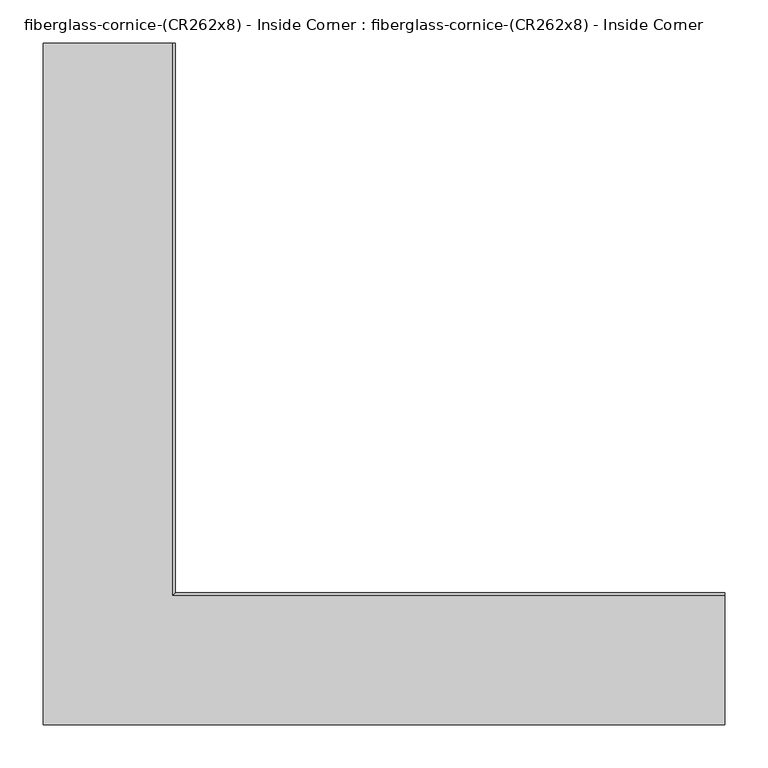
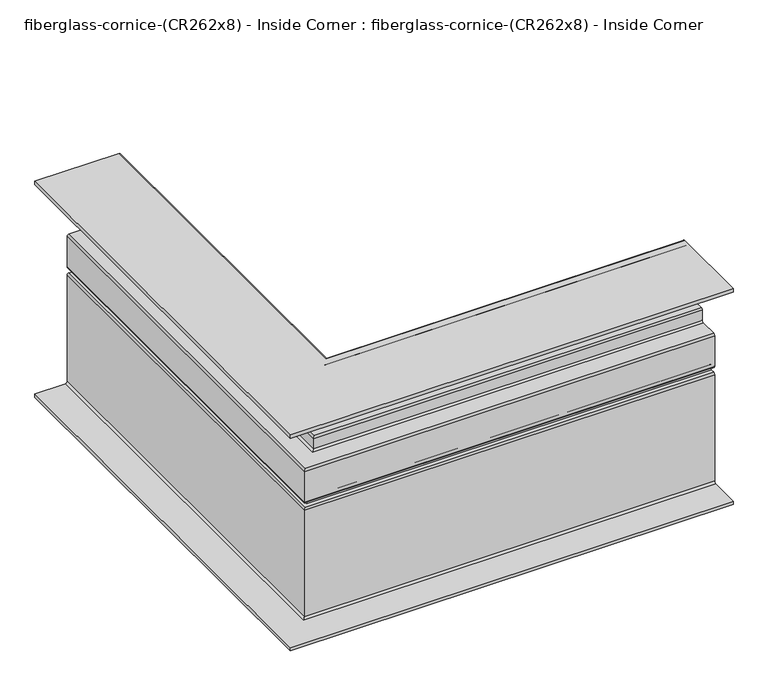
"""IFC4 building model written with IfcOpenShell, lengths in millimetres: furniture geometry, fiberglass-cornice-(CR262x8) - Inside Corner : fiberglass-cornice-(CR262x8) - Inside Corner."""

from ifc_helpers import new_model, si_unit, frame, origin, place, context, project, spatial, polyline, circle_curve, ellipse_curve, source, transform, mapped, element, save
from ifc_brep_helpers import plane_surface, cylinder_surface, revolved_surface, advanced_brep


def fiberglass_cornice_cr262x8_inside_corner_fiberglass_cornice_d8a30039(model_context):
    return source(origin(), model_context, "Body", "AdvancedBrep", [
        advanced_brep(
        [(-393.6999938, 888.603125, 323.8499904), (-393.6999938, 888.603125, 330.1999904), (-244.4749938, 888.603125, 330.1999904), (-241.2999938, 888.603125, 327.0249904), (-241.2999938, 888.603125, 282.5749904), (-244.4749938, 888.603125, 279.3999904), (-263.5249938, 888.603125, 279.3999904), (-266.6999938, 888.603125, 276.2249904), (-266.6999938, 888.603125, 231.7749904), (-269.8749938, 888.603125, 228.5999904), (-288.9249938, 888.603125, 228.5999904), (-292.0999938, 888.603125, 225.4249904), (-292.0999938, 888.603125, 206.3749904), (-295.2749938, 888.603125, 203.1999904), (-327.0249938, 888.603125, 203.1999904), (-330.1999938, 888.603125, 200.0249904), (-330.1999938, 888.603125, 155.5749904), (-327.0249938, 888.603125, 152.3999904), (-320.6749938, 888.603125, 152.3999904), (-317.4999938, 888.603125, 149.2249904), (-317.4999938, 888.603125, 133.3499904), (-320.6749938, 888.603125, 130.1749904), (-327.0249938, 888.603125, 130.1749904), (-330.1999938, 888.603125, 126.9999904), (-330.1999938, 888.603125, -73.0250096), (-333.3749938, 888.603125, -76.2000096), (-393.6999938, 888.603125, -76.2000096), (-393.6999938, 888.603125, -69.8500096), (-339.7249938, 888.603125, -69.8500096), (-336.5499938, 888.603125, -66.6750096), (-336.5499938, 888.603125, 133.3499904), (-333.3749938, 888.603125, 136.5249904), (-327.0249938, 888.603125, 136.5249904), (-323.8499938, 888.603125, 139.6999904), (-323.8499938, 888.603125, 142.8749904), (-327.0249938, 888.603125, 146.0499904), (-333.3749938, 888.603125, 146.0499904), (-336.5499938, 888.603125, 149.2249904), (-336.5499938, 888.603125, 206.3749904), (-333.3749938, 888.603125, 209.5499904), (-301.6249938, 888.603125, 209.5499904), (-298.4499938, 888.603125, 212.7249904), (-298.4499938, 888.603125, 231.7749904), (-295.2749938, 888.603125, 234.9499904), (-276.2249938, 888.603125, 234.9499904), (-273.0499938, 888.603125, 238.1249904), (-273.0499938, 888.603125, 282.5749904), (-269.8749938, 888.603125, 285.7499904), (-250.8249938, 888.603125, 285.7499904), (-247.6499938, 888.603125, 288.9249904), (-247.6499938, 888.603125, 320.6749904), (-250.8249938, 888.603125, 323.8499904), (393.6999938, 101.203125, 323.8499904), (393.6999938, 244.078125, 323.8499904), (393.6999938, 247.253125, 320.6749904), (393.6999938, 247.253125, 288.9249904), (393.6999938, 244.078125, 285.7499904), (393.6999938, 225.028125, 285.7499904), (393.6999938, 221.853125, 282.5749904), (393.6999938, 221.853125, 238.1249904), (393.6999938, 218.678125, 234.9499904), (393.6999938, 199.628125, 234.9499904), (393.6999938, 196.453125, 231.7749904), (393.6999938, 196.453125, 212.7249904), (393.6999938, 193.278125, 209.5499904), (393.6999938, 161.528125, 209.5499904), (393.6999938, 158.353125, 206.3749904), (393.6999938, 158.353125, 149.2249904), (393.6999938, 161.528125, 146.0499904), (393.6999938, 167.878125, 146.0499904), (393.6999938, 171.053125, 142.8749904), (393.6999938, 171.053125, 139.6999904), (393.6999938, 167.878125, 136.5249904), (393.6999938, 161.528125, 136.5249904), (393.6999938, 158.353125, 133.3499904), (393.6999938, 158.353125, -66.6750096), (393.6999938, 155.178125, -69.8500096), (393.6999938, 101.203125, -69.8500096), (393.6999938, 101.203125, -76.2000096), (393.6999938, 161.528125, -76.2000096), (393.6999938, 164.703125, -73.0250096), (393.6999938, 164.703125, 126.9999904), (393.6999938, 167.878125, 130.1749904), (393.6999938, 174.228125, 130.1749904), (393.6999938, 177.403125, 133.3499904), (393.6999938, 177.403125, 149.2249904), (393.6999938, 174.228125, 152.3999904), (393.6999938, 167.878125, 152.3999904), (393.6999938, 164.703125, 155.5749904), (393.6999938, 164.703125, 200.0249904), (393.6999938, 167.878125, 203.1999904), (393.6999938, 199.628125, 203.1999904), (393.6999938, 202.803125, 206.3749904), (393.6999938, 202.803125, 225.4249904), (393.6999938, 205.978125, 228.5999904), (393.6999938, 225.028125, 228.5999904), (393.6999938, 228.203125, 231.7749904), (393.6999938, 228.203125, 276.2249904), (393.6999938, 231.378125, 279.3999904), (393.6999938, 250.428125, 279.3999904), (393.6999938, 253.603125, 282.5749904), (393.6999938, 253.603125, 327.0249904), (393.6999938, 250.428125, 330.1999904), (393.6999938, 101.203125, 330.1999904), (-393.6999938, 101.203125, 323.8499904), (-393.6999938, 101.203125, 330.1999904), (-244.4749938, 250.428125, 330.1999904), (-241.2999938, 253.603125, 327.0249904), (-241.2999938, 253.603125, 282.5749904), (-244.4749938, 250.428125, 279.3999904), (-263.5249938, 231.378125, 279.3999904), (-266.6999938, 228.203125, 276.2249904), (-266.6999938, 228.203125, 231.7749904), (-269.8749938, 225.028125, 228.5999904), (-288.9249938, 205.978125, 228.5999904), (-292.0999938, 202.803125, 225.4249904), (-292.0999938, 202.803125, 206.3749904), (-295.2749938, 199.628125, 203.1999904), (-327.0249938, 167.878125, 203.1999904), (-330.1999938, 164.703125, 200.0249904), (-330.1999938, 164.703125, 155.5749904), (-327.0249938, 167.878125, 152.3999904), (-320.6749938, 174.228125, 152.3999904), (-317.4999938, 177.403125, 149.2249904), (-317.4999938, 177.403125, 133.3499904), (-320.6749938, 174.228125, 130.1749904), (-327.0249938, 167.878125, 130.1749904), (-330.1999938, 164.703125, 126.9999904), (-330.1999938, 164.703125, -73.0250096), (-333.3749938, 161.528125, -76.2000096), (-393.6999938, 101.203125, -76.2000096), (-393.6999938, 101.203125, -69.8500096), (-339.7249938, 155.178125, -69.8500096), (-336.5499938, 158.353125, -66.6750096), (-336.5499938, 158.353125, 133.3499904), (-333.3749938, 161.528125, 136.5249904), (-327.0249938, 167.878125, 136.5249904), (-323.8499938, 171.053125, 139.6999904), (-323.8499938, 171.053125, 142.8749904), (-327.0249938, 167.878125, 146.0499904), (-333.3749938, 161.528125, 146.0499904), (-336.5499938, 158.353125, 149.2249904), (-336.5499938, 158.353125, 206.3749904), (-333.3749938, 161.528125, 209.5499904), (-301.6249938, 193.278125, 209.5499904), (-298.4499938, 196.453125, 212.7249904), (-298.4499938, 196.453125, 231.7749904), (-295.2749938, 199.628125, 234.9499904), (-276.2249938, 218.678125, 234.9499904), (-273.0499938, 221.853125, 238.1249904), (-273.0499938, 221.853125, 282.5749904), (-269.8749938, 225.028125, 285.7499904), (-250.8249938, 244.078125, 285.7499904), (-247.6499938, 247.253125, 288.9249904), (-247.6499938, 247.253125, 320.6749904), (-250.8249938, 244.078125, 323.8499904)],
        [
            (0, 1),
            (1, 2),
            (2, 3, circle_curve(frame((-244.4749938, 888.603125, 327.0249904), z_axis=(0.0, 1.0, 0.0), x_axis=(1.0, 0.0, 0.0)), 3.175)),
            (3, 4),
            (4, 5, circle_curve(frame((-244.4749938, 888.603125, 282.5749904), z_axis=(0.0, 1.0, 0.0), x_axis=(1.0, 0.0, 0.0)), 3.175)),
            (5, 6),
            (6, 7, circle_curve(frame((-263.5249938, 888.603125, 276.2249904), z_axis=(0.0, -1.0, 0.0), x_axis=(1.0, 0.0, 0.0)), 3.175)),
            (7, 8),
            (8, 9, circle_curve(frame((-269.8749938, 888.603125, 231.7749904), z_axis=(0.0, 1.0, 0.0), x_axis=(1.0, 0.0, 0.0)), 3.175)),
            (9, 10),
            (10, 11, circle_curve(frame((-288.9249938, 888.603125, 225.4249904), z_axis=(0.0, -1.0, 0.0), x_axis=(1.0, 0.0, 0.0)), 3.175)),
            (11, 12),
            (12, 13, circle_curve(frame((-295.2749938, 888.603125, 206.3749904), z_axis=(0.0, 1.0, 0.0), x_axis=(1.0, 0.0, 0.0)), 3.175)),
            (13, 14),
            (14, 15, circle_curve(frame((-327.0249938, 888.603125, 200.0249904), z_axis=(0.0, -1.0, 0.0), x_axis=(1.0, 0.0, 0.0)), 3.175)),
            (15, 16),
            (16, 17, circle_curve(frame((-327.0249938, 888.603125, 155.5749904), z_axis=(0.0, -1.0, 0.0), x_axis=(1.0, 0.0, 0.0)), 3.175)),
            (17, 18),
            (18, 19, circle_curve(frame((-320.6749938, 888.603125, 149.2249904), z_axis=(0.0, 1.0, 0.0), x_axis=(1.0, 0.0, 0.0)), 3.175)),
            (19, 20),
            (20, 21, circle_curve(frame((-320.6749938, 888.603125, 133.3499904), z_axis=(0.0, 1.0, 0.0), x_axis=(1.0, 0.0, 0.0)), 3.175)),
            (21, 22),
            (22, 23, circle_curve(frame((-327.0249938, 888.603125, 126.9999904), z_axis=(0.0, -1.0, 0.0), x_axis=(1.0, 0.0, 0.0)), 3.175)),
            (23, 24),
            (24, 25, circle_curve(frame((-333.3749938, 888.603125, -73.0250096), z_axis=(0.0, 1.0, 0.0), x_axis=(1.0, 0.0, 0.0)), 3.175)),
            (25, 26),
            (26, 27),
            (27, 28),
            (28, 29, circle_curve(frame((-339.7249938, 888.603125, -66.6750096), z_axis=(0.0, -1.0, 0.0), x_axis=(1.0, 0.0, 0.0)), 3.175)),
            (29, 30),
            (30, 31, circle_curve(frame((-333.3749938, 888.603125, 133.3499904), z_axis=(0.0, 1.0, 0.0), x_axis=(1.0, 0.0, 0.0)), 3.175)),
            (31, 32),
            (32, 33, circle_curve(frame((-327.0249938, 888.603125, 139.6999904), z_axis=(0.0, -1.0, 0.0), x_axis=(1.0, 0.0, 0.0)), 3.175)),
            (33, 34),
            (34, 35, circle_curve(frame((-327.0249938, 888.603125, 142.8749904), z_axis=(0.0, -1.0, 0.0), x_axis=(1.0, 0.0, 0.0)), 3.175)),
            (35, 36),
            (36, 37, circle_curve(frame((-333.3749938, 888.603125, 149.2249904), z_axis=(0.0, 1.0, 0.0), x_axis=(1.0, 0.0, 0.0)), 3.175)),
            (37, 38),
            (38, 39, circle_curve(frame((-333.3749938, 888.603125, 206.3749904), z_axis=(0.0, 1.0, 0.0), x_axis=(1.0, 0.0, 0.0)), 3.175)),
            (39, 40),
            (40, 41, circle_curve(frame((-301.6249938, 888.603125, 212.7249904), z_axis=(0.0, -1.0, 0.0), x_axis=(1.0, 0.0, 0.0)), 3.175)),
            (41, 42),
            (42, 43, circle_curve(frame((-295.2749938, 888.603125, 231.7749904), z_axis=(0.0, 1.0, 0.0), x_axis=(1.0, 0.0, 0.0)), 3.175)),
            (43, 44),
            (44, 45, circle_curve(frame((-276.2249938, 888.603125, 238.1249904), z_axis=(0.0, -1.0, 0.0), x_axis=(1.0, 0.0, 0.0)), 3.175)),
            (45, 46),
            (46, 47, circle_curve(frame((-269.8749938, 888.603125, 282.5749904), z_axis=(0.0, 1.0, 0.0), x_axis=(1.0, 0.0, 0.0)), 3.175)),
            (47, 48),
            (48, 49, circle_curve(frame((-250.8249938, 888.603125, 288.9249904), z_axis=(0.0, -1.0, 0.0), x_axis=(1.0, 0.0, 0.0)), 3.175)),
            (49, 50),
            (50, 51, circle_curve(frame((-250.8249938, 888.603125, 320.6749904), z_axis=(0.0, -1.0, 0.0), x_axis=(1.0, 0.0, 0.0)), 3.175)),
            (51, 0),
            (52, 53),
            (53, 54, circle_curve(frame((393.6999938, 244.078125, 320.6749904), z_axis=(-1.0, 0.0, 0.0), x_axis=(0.0, 1.0, 0.0)), 3.175)),
            (54, 55),
            (55, 56, circle_curve(frame((393.6999938, 244.078125, 288.9249904), z_axis=(-1.0, 0.0, 0.0), x_axis=(0.0, 1.0, 0.0)), 3.175)),
            (56, 57),
            (57, 58, circle_curve(frame((393.6999938, 225.028125, 282.5749904), z_axis=(1.0, 0.0, 0.0), x_axis=(0.0, 1.0, 0.0)), 3.175)),
            (58, 59),
            (59, 60, circle_curve(frame((393.6999938, 218.678125, 238.1249904), z_axis=(-1.0, 0.0, 0.0), x_axis=(0.0, 1.0, 0.0)), 3.175)),
            (60, 61),
            (61, 62, circle_curve(frame((393.6999938, 199.628125, 231.7749904), z_axis=(1.0, 0.0, 0.0), x_axis=(0.0, 1.0, 0.0)), 3.175)),
            (62, 63),
            (63, 64, circle_curve(frame((393.6999938, 193.278125, 212.7249904), z_axis=(-1.0, 0.0, 0.0), x_axis=(0.0, 1.0, 0.0)), 3.175)),
            (64, 65),
            (65, 66, circle_curve(frame((393.6999938, 161.528125, 206.3749904), z_axis=(1.0, 0.0, 0.0), x_axis=(0.0, 1.0, 0.0)), 3.175)),
            (66, 67),
            (67, 68, circle_curve(frame((393.6999938, 161.528125, 149.2249904), z_axis=(1.0, 0.0, 0.0), x_axis=(0.0, 1.0, 0.0)), 3.175)),
            (68, 69),
            (69, 70, circle_curve(frame((393.6999938, 167.878125, 142.8749904), z_axis=(-1.0, 0.0, 0.0), x_axis=(0.0, 1.0, 0.0)), 3.175)),
            (70, 71),
            (71, 72, circle_curve(frame((393.6999938, 167.878125, 139.6999904), z_axis=(-1.0, 0.0, 0.0), x_axis=(0.0, 1.0, 0.0)), 3.175)),
            (72, 73),
            (73, 74, circle_curve(frame((393.6999938, 161.528125, 133.3499904), z_axis=(1.0, 0.0, 0.0), x_axis=(0.0, 1.0, 0.0)), 3.175)),
            (74, 75),
            (75, 76, circle_curve(frame((393.6999938, 155.178125, -66.6750096), z_axis=(-1.0, 0.0, 0.0), x_axis=(0.0, 1.0, 0.0)), 3.175)),
            (76, 77),
            (77, 78),
            (78, 79),
            (79, 80, circle_curve(frame((393.6999938, 161.528125, -73.0250096), z_axis=(1.0, 0.0, 0.0), x_axis=(0.0, 1.0, 0.0)), 3.175)),
            (80, 81),
            (81, 82, circle_curve(frame((393.6999938, 167.878125, 126.9999904), z_axis=(-1.0, 0.0, 0.0), x_axis=(0.0, 1.0, 0.0)), 3.175)),
            (82, 83),
            (83, 84, circle_curve(frame((393.6999938, 174.228125, 133.3499904), z_axis=(1.0, 0.0, 0.0), x_axis=(0.0, 1.0, 0.0)), 3.175)),
            (84, 85),
            (85, 86, circle_curve(frame((393.6999938, 174.228125, 149.2249904), z_axis=(1.0, 0.0, 0.0), x_axis=(0.0, 1.0, 0.0)), 3.175)),
            (86, 87),
            (87, 88, circle_curve(frame((393.6999938, 167.878125, 155.5749904), z_axis=(-1.0, 0.0, 0.0), x_axis=(0.0, 1.0, 0.0)), 3.175)),
            (88, 89),
            (89, 90, circle_curve(frame((393.6999938, 167.878125, 200.0249904), z_axis=(-1.0, 0.0, 0.0), x_axis=(0.0, 1.0, 0.0)), 3.175)),
            (90, 91),
            (91, 92, circle_curve(frame((393.6999938, 199.628125, 206.3749904), z_axis=(1.0, 0.0, 0.0), x_axis=(0.0, 1.0, 0.0)), 3.175)),
            (92, 93),
            (93, 94, circle_curve(frame((393.6999938, 205.978125, 225.4249904), z_axis=(-1.0, 0.0, 0.0), x_axis=(0.0, 1.0, 0.0)), 3.175)),
            (94, 95),
            (95, 96, circle_curve(frame((393.6999938, 225.028125, 231.7749904), z_axis=(1.0, 0.0, 0.0), x_axis=(0.0, 1.0, 0.0)), 3.175)),
            (96, 97),
            (97, 98, circle_curve(frame((393.6999938, 231.378125, 276.2249904), z_axis=(-1.0, 0.0, 0.0), x_axis=(0.0, 1.0, 0.0)), 3.175)),
            (98, 99),
            (99, 100, circle_curve(frame((393.6999938, 250.428125, 282.5749904), z_axis=(1.0, 0.0, 0.0), x_axis=(0.0, 1.0, 0.0)), 3.175)),
            (100, 101),
            (101, 102, circle_curve(frame((393.6999938, 250.428125, 327.0249904), z_axis=(1.0, 0.0, 0.0), x_axis=(0.0, 1.0, 0.0)), 3.175)),
            (102, 103),
            (103, 52),
            (0, 104),
            (104, 105),
            (105, 1),
            (105, 103),
            (102, 106),
            (106, 2),
            (106, 107, ellipse_curve(frame((-244.4749938, 250.428125, 327.0249904), z_axis=(-0.7071067811865475, 0.7071067811865475, 0.0), x_axis=(0.7071067811865474, 0.7071067811865476, 0.0)), 4.4901281, 3.175)),
            (107, 3),
            (107, 108),
            (108, 4),
            (108, 109, ellipse_curve(frame((-244.4749938, 250.428125, 282.5749904), z_axis=(-0.7071067811865475, 0.7071067811865475, 0.0), x_axis=(0.7071067811865474, 0.7071067811865476, 0.0)), 4.4901281, 3.175)),
            (109, 5),
            (109, 99),
            (98, 110),
            (110, 6),
            (110, 111, ellipse_curve(frame((-263.5249938, 231.378125, 276.2249904), z_axis=(0.7071067811865475, -0.7071067811865475, 0.0), x_axis=(-0.7071067811865474, -0.7071067811865476, 0.0)), 4.4901281, 3.175)),
            (111, 7),
            (111, 112),
            (112, 8),
            (112, 113, ellipse_curve(frame((-269.8749938, 225.028125, 231.7749904), z_axis=(-0.7071067811865475, 0.7071067811865475, 0.0), x_axis=(0.7071067811865474, 0.7071067811865476, 0.0)), 4.4901281, 3.175)),
            (113, 9),
            (113, 95),
            (94, 114),
            (114, 10),
            (114, 115, ellipse_curve(frame((-288.9249938, 205.978125, 225.4249904), z_axis=(0.7071067811865475, -0.7071067811865475, 0.0), x_axis=(-0.7071067811865474, -0.7071067811865476, 0.0)), 4.4901281, 3.175)),
            (115, 11),
            (115, 116),
            (116, 12),
            (116, 117, ellipse_curve(frame((-295.2749938, 199.628125, 206.3749904), z_axis=(-0.7071067811865475, 0.7071067811865475, 0.0), x_axis=(0.7071067811865474, 0.7071067811865476, 0.0)), 4.4901281, 3.175)),
            (117, 13),
            (117, 91),
            (90, 118),
            (118, 14),
            (118, 119, ellipse_curve(frame((-327.0249938, 167.878125, 200.0249904), z_axis=(0.7071067811865475, -0.7071067811865475, 0.0), x_axis=(-0.7071067811865474, -0.7071067811865476, 0.0)), 4.4901281, 3.175)),
            (119, 15),
            (119, 120),
            (120, 16),
            (120, 121, ellipse_curve(frame((-327.0249938, 167.878125, 155.5749904), z_axis=(0.7071067811865475, -0.7071067811865475, 0.0), x_axis=(-0.7071067811865474, -0.7071067811865476, 0.0)), 4.4901281, 3.175)),
            (121, 17),
            (121, 87),
            (86, 122),
            (122, 18),
            (122, 123, ellipse_curve(frame((-320.6749938, 174.228125, 149.2249904), z_axis=(-0.7071067811865475, 0.7071067811865475, 0.0), x_axis=(0.7071067811865474, 0.7071067811865476, 0.0)), 4.4901281, 3.175)),
            (123, 19),
            (123, 124),
            (124, 20),
            (124, 125, ellipse_curve(frame((-320.6749938, 174.228125, 133.3499904), z_axis=(-0.7071067811865475, 0.7071067811865475, 0.0), x_axis=(0.7071067811865474, 0.7071067811865476, 0.0)), 4.4901281, 3.175)),
            (125, 21),
            (125, 83),
            (82, 126),
            (126, 22),
            (126, 127, ellipse_curve(frame((-327.0249938, 167.878125, 126.9999904), z_axis=(0.7071067811865475, -0.7071067811865475, 0.0), x_axis=(-0.7071067811865474, -0.7071067811865476, 0.0)), 4.4901281, 3.175)),
            (127, 23),
            (127, 128),
            (128, 24),
            (128, 129, ellipse_curve(frame((-333.3749938, 161.528125, -73.0250096), z_axis=(-0.7071067811865475, 0.7071067811865475, 0.0), x_axis=(0.7071067811865474, 0.7071067811865476, 0.0)), 4.4901281, 3.175)),
            (129, 25),
            (129, 79),
            (78, 130),
            (130, 26),
            (130, 131),
            (131, 27),
            (131, 77),
            (76, 132),
            (132, 28),
            (132, 133, ellipse_curve(frame((-339.7249938, 155.178125, -66.6750096), z_axis=(0.7071067811865475, -0.7071067811865475, 0.0), x_axis=(-0.7071067811865474, -0.7071067811865476, 0.0)), 4.4901281, 3.175)),
            (133, 29),
            (133, 134),
            (134, 30),
            (134, 135, ellipse_curve(frame((-333.3749938, 161.528125, 133.3499904), z_axis=(-0.7071067811865475, 0.7071067811865475, 0.0), x_axis=(0.7071067811865474, 0.7071067811865476, 0.0)), 4.4901281, 3.175)),
            (135, 31),
            (135, 73),
            (72, 136),
            (136, 32),
            (136, 137, ellipse_curve(frame((-327.0249938, 167.878125, 139.6999904), z_axis=(0.7071067811865475, -0.7071067811865475, 0.0), x_axis=(-0.7071067811865474, -0.7071067811865476, 0.0)), 4.4901281, 3.175)),
            (137, 33),
            (137, 138),
            (138, 34),
            (138, 139, ellipse_curve(frame((-327.0249938, 167.878125, 142.8749904), z_axis=(0.7071067811865475, -0.7071067811865475, 0.0), x_axis=(-0.7071067811865474, -0.7071067811865476, 0.0)), 4.4901281, 3.175)),
            (139, 35),
            (139, 69),
            (68, 140),
            (140, 36),
            (140, 141, ellipse_curve(frame((-333.3749938, 161.528125, 149.2249904), z_axis=(-0.7071067811865475, 0.7071067811865475, 0.0), x_axis=(0.7071067811865474, 0.7071067811865476, 0.0)), 4.4901281, 3.175)),
            (141, 37),
            (141, 142),
            (142, 38),
            (142, 143, ellipse_curve(frame((-333.3749938, 161.528125, 206.3749904), z_axis=(-0.7071067811865475, 0.7071067811865475, 0.0), x_axis=(0.7071067811865474, 0.7071067811865476, 0.0)), 4.4901281, 3.175)),
            (143, 39),
            (143, 65),
            (64, 144),
            (144, 40),
            (144, 145, ellipse_curve(frame((-301.6249938, 193.278125, 212.7249904), z_axis=(0.7071067811865475, -0.7071067811865475, 0.0), x_axis=(-0.7071067811865474, -0.7071067811865476, 0.0)), 4.4901281, 3.175)),
            (145, 41),
            (145, 146),
            (146, 42),
            (146, 147, ellipse_curve(frame((-295.2749938, 199.628125, 231.7749904), z_axis=(-0.7071067811865475, 0.7071067811865475, 0.0), x_axis=(0.7071067811865474, 0.7071067811865476, 0.0)), 4.4901281, 3.175)),
            (147, 43),
            (147, 61),
            (60, 148),
            (148, 44),
            (148, 149, ellipse_curve(frame((-276.2249938, 218.678125, 238.1249904), z_axis=(0.7071067811865475, -0.7071067811865475, 0.0), x_axis=(-0.7071067811865474, -0.7071067811865476, 0.0)), 4.4901281, 3.175)),
            (149, 45),
            (149, 150),
            (150, 46),
            (150, 151, ellipse_curve(frame((-269.8749938, 225.028125, 282.5749904), z_axis=(-0.7071067811865475, 0.7071067811865475, 0.0), x_axis=(0.7071067811865474, 0.7071067811865476, 0.0)), 4.4901281, 3.175)),
            (151, 47),
            (151, 57),
            (56, 152),
            (152, 48),
            (152, 153, ellipse_curve(frame((-250.8249938, 244.078125, 288.9249904), z_axis=(0.7071067811865475, -0.7071067811865475, 0.0), x_axis=(-0.7071067811865474, -0.7071067811865476, 0.0)), 4.4901281, 3.175)),
            (153, 49),
            (153, 154),
            (154, 50),
            (154, 155, ellipse_curve(frame((-250.8249938, 244.078125, 320.6749904), z_axis=(0.7071067811865475, -0.7071067811865475, 0.0), x_axis=(-0.7071067811865474, -0.7071067811865476, 0.0)), 4.4901281, 3.175)),
            (155, 51),
            (155, 53),
            (52, 104),
            (101, 107),
            (100, 108),
            (97, 111),
            (96, 112),
            (93, 115),
            (92, 116),
            (89, 119),
            (88, 120),
            (85, 123),
            (84, 124),
            (81, 127),
            (80, 128),
            (75, 133),
            (74, 134),
            (71, 137),
            (70, 138),
            (67, 141),
            (66, 142),
            (63, 145),
            (62, 146),
            (59, 149),
            (58, 150),
            (55, 153),
            (54, 154),
        ],
        [
            plane_surface(frame((-393.6999938, 888.603125, 330.1999904), z_axis=(0.0, 1.0, 0.0), x_axis=(0.0, 0.0, 1.0))),
            plane_surface(frame((393.6999938, 101.203125, 330.1999904), z_axis=(1.0, 0.0, 0.0), x_axis=(0.0, 0.0, 1.0))),
            plane_surface(frame((-393.6999938, 888.603125, 323.8499904), z_axis=(-1.0, 0.0, 0.0), x_axis=(0.0, -1.0, 0.0))),
            plane_surface(frame((-393.6999938, 888.603125, 330.1999904), z_axis=(0.0, 0.0, 1.0), x_axis=(0.0, -1.0, 0.0))),
            cylinder_surface(frame((-244.4749938, 888.603125, 327.0249904), z_axis=(0.0, 1.0, 0.0), x_axis=(1.0, 0.0, 0.0)), 3.175),
            plane_surface(frame((-241.2999938, 888.603125, 327.0249904), z_axis=(1.0, 0.0, 0.0), x_axis=(0.0, -1.0, 0.0))),
            cylinder_surface(frame((-244.4749938, 888.603125, 282.5749904), z_axis=(0.0, 1.0, 0.0), x_axis=(1.0, 0.0, 0.0)), 3.175),
            plane_surface(frame((-244.4749938, 888.603125, 279.3999904), z_axis=(0.0, 0.0, -1.0), x_axis=(0.0, -1.0, 0.0))),
            revolved_surface(polyline([(-260.3499938, 228.20312497209375, 276.2249904), (-260.3499938, 888.603125, 276.2249904)]), (-263.5249938, 888.603125, 276.2249904), (0.0, -1.0, 0.0)),
            plane_surface(frame((-266.6999938, 888.603125, 276.2249904), z_axis=(1.0, 0.0, 0.0), x_axis=(0.0, -1.0, 0.0))),
            cylinder_surface(frame((-269.8749938, 888.603125, 231.7749904), z_axis=(0.0, 1.0, 0.0), x_axis=(1.0, 0.0, 0.0)), 3.175),
            plane_surface(frame((-269.8749938, 888.603125, 228.5999904), z_axis=(0.0, 0.0, -1.0), x_axis=(0.0, -1.0, 0.0))),
            revolved_surface(polyline([(-285.74999379999997, 202.80312497209366, 225.4249904), (-285.74999379999997, 888.603125, 225.4249904)]), (-288.9249938, 888.603125, 225.4249904), (0.0, -1.0, 0.0)),
            plane_surface(frame((-292.0999938, 888.603125, 225.4249904), z_axis=(1.0, 0.0, 0.0), x_axis=(0.0, -1.0, 0.0))),
            cylinder_surface(frame((-295.2749938, 888.603125, 206.3749904), z_axis=(0.0, 1.0, 0.0), x_axis=(1.0, 0.0, 0.0)), 3.175),
            plane_surface(frame((-295.2749938, 888.603125, 203.1999904), z_axis=(0.0, 0.0, -1.0), x_axis=(0.0, -1.0, 0.0))),
            revolved_surface(polyline([(-323.8499938, 164.70312497209375, 200.0249904), (-323.8499938, 888.603125, 200.0249904)]), (-327.0249938, 888.603125, 200.0249904), (0.0, -1.0, 0.0)),
            plane_surface(frame((-330.1999938, 888.603125, 200.0249904), z_axis=(1.0, 0.0, 0.0), x_axis=(0.0, -1.0, 0.0))),
            revolved_surface(polyline([(-323.8499938, 164.70312497209375, 155.5749904), (-323.8499938, 888.603125, 155.5749904)]), (-327.0249938, 888.603125, 155.5749904), (0.0, -1.0, 0.0)),
            plane_surface(frame((-327.0249938, 888.603125, 152.3999904), z_axis=(0.0, 0.0, 1.0), x_axis=(0.0, -1.0, 0.0))),
            cylinder_surface(frame((-320.6749938, 888.603125, 149.2249904), z_axis=(0.0, 1.0, 0.0), x_axis=(1.0, 0.0, 0.0)), 3.175),
            plane_surface(frame((-317.4999938, 888.603125, 149.2249904), z_axis=(1.0, 0.0, 0.0), x_axis=(0.0, -1.0, 0.0))),
            cylinder_surface(frame((-320.6749938, 888.603125, 133.3499904), z_axis=(0.0, 1.0, 0.0), x_axis=(1.0, 0.0, 0.0)), 3.175),
            plane_surface(frame((-320.6749938, 888.603125, 130.1749904), z_axis=(0.0, 0.0, -1.0), x_axis=(0.0, -1.0, 0.0))),
            revolved_surface(polyline([(-323.8499938, 164.70312497209375, 126.9999904), (-323.8499938, 888.603125, 126.9999904)]), (-327.0249938, 888.603125, 126.9999904), (0.0, -1.0, 0.0)),
            plane_surface(frame((-330.1999938, 888.603125, 126.9999904), z_axis=(1.0, 0.0, 0.0), x_axis=(0.0, -1.0, 0.0))),
            cylinder_surface(frame((-333.3749938, 888.603125, -73.0250096), z_axis=(0.0, 1.0, 0.0), x_axis=(1.0, 0.0, 0.0)), 3.175),
            plane_surface(frame((-333.3749938, 888.603125, -76.2000096), z_axis=(0.0, 0.0, -1.0), x_axis=(0.0, -1.0, 0.0))),
            plane_surface(frame((-393.6999938, 888.603125, -76.2000096), z_axis=(-1.0, 0.0, 0.0), x_axis=(0.0, -1.0, 0.0))),
            plane_surface(frame((-393.6999938, 888.603125, -69.8500096), z_axis=(0.0, 0.0, 1.0), x_axis=(0.0, -1.0, 0.0))),
            revolved_surface(polyline([(-336.5499938, 152.0031249720937, -66.6750096), (-336.5499938, 888.603125, -66.6750096)]), (-339.7249938, 888.603125, -66.6750096), (0.0, -1.0, 0.0)),
            plane_surface(frame((-336.5499938, 888.603125, -66.6750096), z_axis=(-1.0, 0.0, 0.0), x_axis=(0.0, -1.0, 0.0))),
            cylinder_surface(frame((-333.3749938, 888.603125, 133.3499904), z_axis=(0.0, 1.0, 0.0), x_axis=(1.0, 0.0, 0.0)), 3.175),
            plane_surface(frame((-333.3749938, 888.603125, 136.5249904), z_axis=(0.0, 0.0, 1.0), x_axis=(0.0, -1.0, 0.0))),
            revolved_surface(polyline([(-323.8499938, 164.70312497209375, 139.6999904), (-323.8499938, 888.603125, 139.6999904)]), (-327.0249938, 888.603125, 139.6999904), (0.0, -1.0, 0.0)),
            plane_surface(frame((-323.8499938, 888.603125, 139.6999904), z_axis=(-1.0, 0.0, 0.0), x_axis=(0.0, -1.0, 0.0))),
            revolved_surface(polyline([(-323.8499938, 164.70312497209375, 142.8749904), (-323.8499938, 888.603125, 142.8749904)]), (-327.0249938, 888.603125, 142.8749904), (0.0, -1.0, 0.0)),
            plane_surface(frame((-327.0249938, 888.603125, 146.0499904), z_axis=(0.0, 0.0, -1.0), x_axis=(0.0, -1.0, 0.0))),
            cylinder_surface(frame((-333.3749938, 888.603125, 149.2249904), z_axis=(0.0, 1.0, 0.0), x_axis=(1.0, 0.0, 0.0)), 3.175),
            plane_surface(frame((-336.5499938, 888.603125, 149.2249904), z_axis=(-1.0, 0.0, 0.0), x_axis=(0.0, -1.0, 0.0))),
            cylinder_surface(frame((-333.3749938, 888.603125, 206.3749904), z_axis=(0.0, 1.0, 0.0), x_axis=(1.0, 0.0, 0.0)), 3.175),
            plane_surface(frame((-333.3749938, 888.603125, 209.5499904), z_axis=(0.0, 0.0, 1.0), x_axis=(0.0, -1.0, 0.0))),
            revolved_surface(polyline([(-298.4499938, 190.1031249720936, 212.7249904), (-298.4499938, 888.603125, 212.7249904)]), (-301.6249938, 888.603125, 212.7249904), (0.0, -1.0, 0.0)),
            plane_surface(frame((-298.4499938, 888.603125, 212.7249904), z_axis=(-1.0, 0.0, 0.0), x_axis=(0.0, -1.0, 0.0))),
            cylinder_surface(frame((-295.2749938, 888.603125, 231.7749904), z_axis=(0.0, 1.0, 0.0), x_axis=(1.0, 0.0, 0.0)), 3.175),
            plane_surface(frame((-295.2749938, 888.603125, 234.9499904), z_axis=(0.0, 0.0, 1.0), x_axis=(0.0, -1.0, 0.0))),
            revolved_surface(polyline([(-273.0499938, 215.5031249720937, 238.1249904), (-273.0499938, 888.603125, 238.1249904)]), (-276.2249938, 888.603125, 238.1249904), (0.0, -1.0, 0.0)),
            plane_surface(frame((-273.0499938, 888.603125, 238.1249904), z_axis=(-1.0, 0.0, 0.0), x_axis=(0.0, -1.0, 0.0))),
            cylinder_surface(frame((-269.8749938, 888.603125, 282.5749904), z_axis=(0.0, 1.0, 0.0), x_axis=(1.0, 0.0, 0.0)), 3.175),
            plane_surface(frame((-269.8749938, 888.603125, 285.7499904), z_axis=(0.0, 0.0, 1.0), x_axis=(0.0, -1.0, 0.0))),
            revolved_surface(polyline([(-247.64999379999998, 240.90312497209368, 288.9249904), (-247.64999379999998, 888.603125, 288.9249904)]), (-250.8249938, 888.603125, 288.9249904), (0.0, -1.0, 0.0)),
            plane_surface(frame((-247.6499938, 888.603125, 288.9249904), z_axis=(-1.0, 0.0, 0.0), x_axis=(0.0, -1.0, 0.0))),
            revolved_surface(polyline([(-247.64999379999998, 240.90312497209368, 320.6749904), (-247.64999379999998, 888.603125, 320.6749904)]), (-250.8249938, 888.603125, 320.6749904), (0.0, -1.0, 0.0)),
            plane_surface(frame((-250.8249938, 888.603125, 323.8499904), z_axis=(0.0, 0.0, -1.0), x_axis=(0.0, -1.0, 0.0))),
            plane_surface(frame((-393.6999938, 101.203125, 323.8499904), z_axis=(0.0, -1.0, 0.0), x_axis=(1.0, 0.0, 0.0))),
            cylinder_surface(frame((-393.6999938, 250.428125, 327.0249904), z_axis=(-1.0, 0.0, 0.0), x_axis=(0.0, 1.0, 0.0)), 3.175),
            plane_surface(frame((-241.2999938, 253.603125, 327.0249904), z_axis=(0.0, 1.0, 0.0), x_axis=(1.0, 0.0, 0.0))),
            cylinder_surface(frame((-393.6999938, 250.428125, 282.5749904), z_axis=(-1.0, 0.0, 0.0), x_axis=(0.0, 1.0, 0.0)), 3.175),
            revolved_surface(polyline([(393.6999938, 234.55312500000002, 276.2249904), (-266.69999382790627, 234.55312500000002, 276.2249904)]), (-393.6999938, 231.378125, 276.2249904), (1.0, 0.0, 0.0)),
            plane_surface(frame((-266.6999938, 228.203125, 276.2249904), z_axis=(0.0, 1.0, 0.0), x_axis=(1.0, 0.0, 0.0))),
            cylinder_surface(frame((-393.6999938, 225.028125, 231.7749904), z_axis=(-1.0, 0.0, 0.0), x_axis=(0.0, 1.0, 0.0)), 3.175),
            revolved_surface(polyline([(393.6999938, 209.15312500000002, 225.4249904), (-292.09999382790625, 209.15312500000002, 225.4249904)]), (-393.6999938, 205.978125, 225.4249904), (1.0, 0.0, 0.0)),
            plane_surface(frame((-292.0999938, 202.803125, 225.4249904), z_axis=(0.0, 1.0, 0.0), x_axis=(1.0, 0.0, 0.0))),
            cylinder_surface(frame((-393.6999938, 199.628125, 206.3749904), z_axis=(-1.0, 0.0, 0.0), x_axis=(0.0, 1.0, 0.0)), 3.175),
            revolved_surface(polyline([(393.6999938, 171.05312500000002, 200.0249904), (-330.19999382790627, 171.05312500000002, 200.0249904)]), (-393.6999938, 167.878125, 200.0249904), (1.0, 0.0, 0.0)),
            plane_surface(frame((-330.1999938, 164.703125, 200.0249904), z_axis=(0.0, 1.0, 0.0), x_axis=(1.0, 0.0, 0.0))),
            revolved_surface(polyline([(393.6999938, 171.05312500000002, 155.5749904), (-330.19999382790627, 171.05312500000002, 155.5749904)]), (-393.6999938, 167.878125, 155.5749904), (1.0, 0.0, 0.0)),
            cylinder_surface(frame((-393.6999938, 174.228125, 149.2249904), z_axis=(-1.0, 0.0, 0.0), x_axis=(0.0, 1.0, 0.0)), 3.175),
            plane_surface(frame((-317.4999938, 177.403125, 149.2249904), z_axis=(0.0, 1.0, 0.0), x_axis=(1.0, 0.0, 0.0))),
            cylinder_surface(frame((-393.6999938, 174.228125, 133.3499904), z_axis=(-1.0, 0.0, 0.0), x_axis=(0.0, 1.0, 0.0)), 3.175),
            revolved_surface(polyline([(393.6999938, 171.05312500000002, 126.9999904), (-330.19999382790627, 171.05312500000002, 126.9999904)]), (-393.6999938, 167.878125, 126.9999904), (1.0, 0.0, 0.0)),
            plane_surface(frame((-330.1999938, 164.703125, 126.9999904), z_axis=(0.0, 1.0, 0.0), x_axis=(1.0, 0.0, 0.0))),
            cylinder_surface(frame((-393.6999938, 161.528125, -73.0250096), z_axis=(-1.0, 0.0, 0.0), x_axis=(0.0, 1.0, 0.0)), 3.175),
            plane_surface(frame((-393.6999938, 101.203125, -76.2000096), z_axis=(0.0, -1.0, 0.0), x_axis=(1.0, 0.0, 0.0))),
            revolved_surface(polyline([(393.6999938, 158.353125, -66.6750096), (-342.89999382790626, 158.353125, -66.6750096)]), (-393.6999938, 155.178125, -66.6750096), (1.0, 0.0, 0.0)),
            plane_surface(frame((-336.5499938, 158.353125, -66.6750096), z_axis=(0.0, -1.0, 0.0), x_axis=(1.0, 0.0, 0.0))),
            cylinder_surface(frame((-393.6999938, 161.528125, 133.3499904), z_axis=(-1.0, 0.0, 0.0), x_axis=(0.0, 1.0, 0.0)), 3.175),
            revolved_surface(polyline([(393.6999938, 171.05312500000002, 139.6999904), (-330.19999382790627, 171.05312500000002, 139.6999904)]), (-393.6999938, 167.878125, 139.6999904), (1.0, 0.0, 0.0)),
            plane_surface(frame((-323.8499938, 171.053125, 139.6999904), z_axis=(0.0, -1.0, 0.0), x_axis=(1.0, 0.0, 0.0))),
            revolved_surface(polyline([(393.6999938, 171.05312500000002, 142.8749904), (-330.19999382790627, 171.05312500000002, 142.8749904)]), (-393.6999938, 167.878125, 142.8749904), (1.0, 0.0, 0.0)),
            cylinder_surface(frame((-393.6999938, 161.528125, 149.2249904), z_axis=(-1.0, 0.0, 0.0), x_axis=(0.0, 1.0, 0.0)), 3.175),
            plane_surface(frame((-336.5499938, 158.353125, 149.2249904), z_axis=(0.0, -1.0, 0.0), x_axis=(1.0, 0.0, 0.0))),
            cylinder_surface(frame((-393.6999938, 161.528125, 206.3749904), z_axis=(-1.0, 0.0, 0.0), x_axis=(0.0, 1.0, 0.0)), 3.175),
            revolved_surface(polyline([(393.6999938, 196.453125, 212.7249904), (-304.7999938279063, 196.453125, 212.7249904)]), (-393.6999938, 193.278125, 212.7249904), (1.0, 0.0, 0.0)),
            plane_surface(frame((-298.4499938, 196.453125, 212.7249904), z_axis=(0.0, -1.0, 0.0), x_axis=(1.0, 0.0, 0.0))),
            cylinder_surface(frame((-393.6999938, 199.628125, 231.7749904), z_axis=(-1.0, 0.0, 0.0), x_axis=(0.0, 1.0, 0.0)), 3.175),
            revolved_surface(polyline([(393.6999938, 221.853125, 238.1249904), (-279.39999382790626, 221.853125, 238.1249904)]), (-393.6999938, 218.678125, 238.1249904), (1.0, 0.0, 0.0)),
            plane_surface(frame((-273.0499938, 221.853125, 238.1249904), z_axis=(0.0, -1.0, 0.0), x_axis=(1.0, 0.0, 0.0))),
            cylinder_surface(frame((-393.6999938, 225.028125, 282.5749904), z_axis=(-1.0, 0.0, 0.0), x_axis=(0.0, 1.0, 0.0)), 3.175),
            revolved_surface(polyline([(393.6999938, 247.253125, 288.9249904), (-253.99999382790625, 247.253125, 288.9249904)]), (-393.6999938, 244.078125, 288.9249904), (1.0, 0.0, 0.0)),
            plane_surface(frame((-247.6499938, 247.253125, 288.9249904), z_axis=(0.0, -1.0, 0.0), x_axis=(1.0, 0.0, 0.0))),
            revolved_surface(polyline([(393.6999938, 247.253125, 320.6749904), (-253.99999382790625, 247.253125, 320.6749904)]), (-393.6999938, 244.078125, 320.6749904), (1.0, 0.0, 0.0)),
        ],
        [
            (0, [[1, 2, 3, 4, 5, 6, 7, 8, 9, 10, 11, 12, 13, 14, 15, 16, 17, 18, 19, 20, 21, 22, 23, 24, 25, 26, 27, 28, 29, 30, 31, 32, 33, 34, 35, 36, 37, 38, 39, 40, 41, 42, 43, 44, 45, 46, 47, 48, 49, 50, 51, 52]]),
            (1, [[53, 54, 55, 56, 57, 58, 59, 60, 61, 62, 63, 64, 65, 66, 67, 68, 69, 70, 71, 72, 73, 74, 75, 76, 77, 78, 79, 80, 81, 82, 83, 84, 85, 86, 87, 88, 89, 90, 91, 92, 93, 94, 95, 96, 97, 98, 99, 100, 101, 102, 103, 104]]),
            (2, [[-1, 105, 106, 107]]),
            (3, [[-2, -107, 108, -103, 109, 110]]),
            (4, [[-3, -110, 111, 112]]),
            (5, [[-4, -112, 113, 114]]),
            (6, [[-5, -114, 115, 116]]),
            (7, [[-6, -116, 117, -99, 118, 119]]),
            (8, [[-7, -119, 120, 121]]),
            (9, [[-8, -121, 122, 123]]),
            (10, [[-9, -123, 124, 125]]),
            (11, [[-10, -125, 126, -95, 127, 128]]),
            (12, [[-11, -128, 129, 130]]),
            (13, [[-12, -130, 131, 132]]),
            (14, [[-13, -132, 133, 134]]),
            (15, [[-14, -134, 135, -91, 136, 137]]),
            (16, [[-15, -137, 138, 139]]),
            (17, [[-16, -139, 140, 141]]),
            (18, [[-17, -141, 142, 143]]),
            (19, [[-18, -143, 144, -87, 145, 146]]),
            (20, [[-19, -146, 147, 148]]),
            (21, [[-20, -148, 149, 150]]),
            (22, [[-21, -150, 151, 152]]),
            (23, [[-22, -152, 153, -83, 154, 155]]),
            (24, [[-23, -155, 156, 157]]),
            (25, [[-24, -157, 158, 159]]),
            (26, [[-25, -159, 160, 161]]),
            (27, [[-26, -161, 162, -79, 163, 164]]),
            (28, [[-27, -164, 165, 166]]),
            (29, [[-28, -166, 167, -77, 168, 169]]),
            (30, [[-29, -169, 170, 171]]),
            (31, [[-30, -171, 172, 173]]),
            (32, [[-31, -173, 174, 175]]),
            (33, [[-32, -175, 176, -73, 177, 178]]),
            (34, [[-33, -178, 179, 180]]),
            (35, [[-34, -180, 181, 182]]),
            (36, [[-35, -182, 183, 184]]),
            (37, [[-36, -184, 185, -69, 186, 187]]),
            (38, [[-37, -187, 188, 189]]),
            (39, [[-38, -189, 190, 191]]),
            (40, [[-39, -191, 192, 193]]),
            (41, [[-40, -193, 194, -65, 195, 196]]),
            (42, [[-41, -196, 197, 198]]),
            (43, [[-42, -198, 199, 200]]),
            (44, [[-43, -200, 201, 202]]),
            (45, [[-44, -202, 203, -61, 204, 205]]),
            (46, [[-45, -205, 206, 207]]),
            (47, [[-46, -207, 208, 209]]),
            (48, [[-47, -209, 210, 211]]),
            (49, [[-48, -211, 212, -57, 213, 214]]),
            (50, [[-49, -214, 215, 216]]),
            (51, [[-50, -216, 217, 218]]),
            (52, [[-51, -218, 219, 220]]),
            (53, [[-52, -220, 221, -53, 222, -105]]),
            (54, [[-106, -222, -104, -108]]),
            (55, [[-111, -109, -102, 223]]),
            (56, [[-113, -223, -101, 224]]),
            (57, [[-115, -224, -100, -117]]),
            (58, [[-120, -118, -98, 225]]),
            (59, [[-122, -225, -97, 226]]),
            (60, [[-124, -226, -96, -126]]),
            (61, [[-129, -127, -94, 227]]),
            (62, [[-131, -227, -93, 228]]),
            (63, [[-133, -228, -92, -135]]),
            (64, [[-138, -136, -90, 229]]),
            (65, [[-140, -229, -89, 230]]),
            (66, [[-142, -230, -88, -144]]),
            (67, [[-147, -145, -86, 231]]),
            (68, [[-149, -231, -85, 232]]),
            (69, [[-151, -232, -84, -153]]),
            (70, [[-156, -154, -82, 233]]),
            (71, [[-158, -233, -81, 234]]),
            (72, [[-160, -234, -80, -162]]),
            (73, [[-165, -163, -78, -167]]),
            (74, [[-170, -168, -76, 235]]),
            (75, [[-172, -235, -75, 236]]),
            (76, [[-174, -236, -74, -176]]),
            (77, [[-179, -177, -72, 237]]),
            (78, [[-181, -237, -71, 238]]),
            (79, [[-183, -238, -70, -185]]),
            (80, [[-188, -186, -68, 239]]),
            (81, [[-190, -239, -67, 240]]),
            (82, [[-192, -240, -66, -194]]),
            (83, [[-197, -195, -64, 241]]),
            (84, [[-199, -241, -63, 242]]),
            (85, [[-201, -242, -62, -203]]),
            (86, [[-206, -204, -60, 243]]),
            (87, [[-208, -243, -59, 244]]),
            (88, [[-210, -244, -58, -212]]),
            (89, [[-215, -213, -56, 245]]),
            (90, [[-217, -245, -55, 246]]),
            (91, [[-219, -246, -54, -221]]),
        ],
    ),
    ])


if __name__ == "__main__":
    model = new_model("IFC4")
    model_context = context("Model", 3, world=origin())
    ifc_project = project(units=[si_unit("LENGTHUNIT", "METRE", prefix="MILLI")], contexts=[model_context])
    site = spatial("IfcSite", under=ifc_project)
    building = spatial("IfcBuilding", under=site)
    placement = place(None, origin())
    fiberglass_cornice_cr262x8_inside_corner_fiberglass_cornice_shape = fiberglass_cornice_cr262x8_inside_corner_fiberglass_cornice_d8a30039(model_context)
    element("IfcFurniture", 1, ObjectType="fiberglass-cornice-(CR262x8) - Inside Corner : fiberglass-cornice-(CR262x8) - Inside Corner", at=placement, inside=building, context=model_context, shape_type="MappedRepresentation", body=[
        mapped(fiberglass_cornice_cr262x8_inside_corner_fiberglass_cornice_shape, transform((0.0, 0.0, 0.0), x_axis=(1.0, 0.0, 0.0), y_axis=(0.0, 1.0, 0.0), z_axis=(0.0, 0.0, 1.0))),
    ])
    save(model, "model.ifc")
